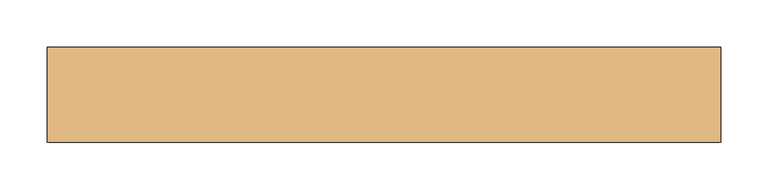
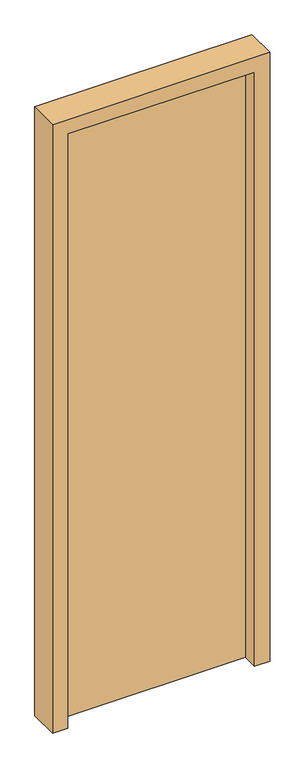
"""IFC4 building model written with IfcOpenShell, lengths in millimetres: door geometry."""

from ifc_helpers import new_model, si_unit, frame, origin, origin_with_axes, place, context, project, spatial, polyline, outline, extrude, source, transform, mapped, element, save


def door_d8726fa8(model_context):
    return source(origin(), model_context, "Body", "SweptSolid", [
        extrude(outline(polyline([(-305.0, 50.0), (305.0, 50.0), (305.0, 0.0), (-305.0, 0.0), (-305.0, 50.0)])), origin_with_axes(), (0.0, 0.0, 1.0), 2050.0),
        extrude(outline(polyline([(0.0, -355.0), (0.0, -305.0), (2050.0, -305.0), (2050.0, 305.0), (0.0, 305.0), (0.0, 355.0), (2100.0, 355.0), (2100.0, -355.0), (0.0, -355.0)])), frame((0.0, -50.0, 0.0), z_axis=(0.0, 1.0, 0.0), x_axis=(0.0, 0.0, 1.0)), (0.0, 0.0, 1.0), 100.0),
    ])


if __name__ == "__main__":
    model = new_model("IFC4")
    model_context = context("Model", 3, world=origin())
    ifc_project = project(units=[si_unit("LENGTHUNIT", "METRE", prefix="MILLI")], contexts=[model_context])
    site = spatial("IfcSite", under=ifc_project)
    building = spatial("IfcBuilding", under=site)
    placement = place(None, origin())
    door_shape = door_d8726fa8(model_context)
    element("IfcDoor", 1, at=placement, inside=building, context=model_context, shape_type="MappedRepresentation", body=[
        mapped(door_shape, transform((0.0, 0.0, 0.0), x_axis=(1.0, 0.0, 0.0), y_axis=(0.0, 1.0, 0.0), z_axis=(0.0, 0.0, 1.0))),
    ])
    save(model, "model.ifc")
